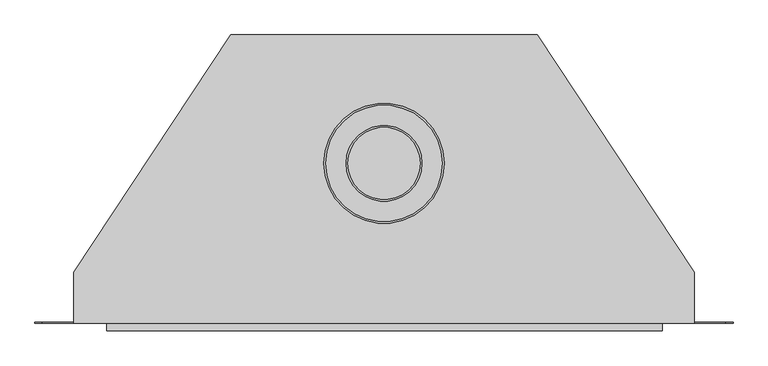
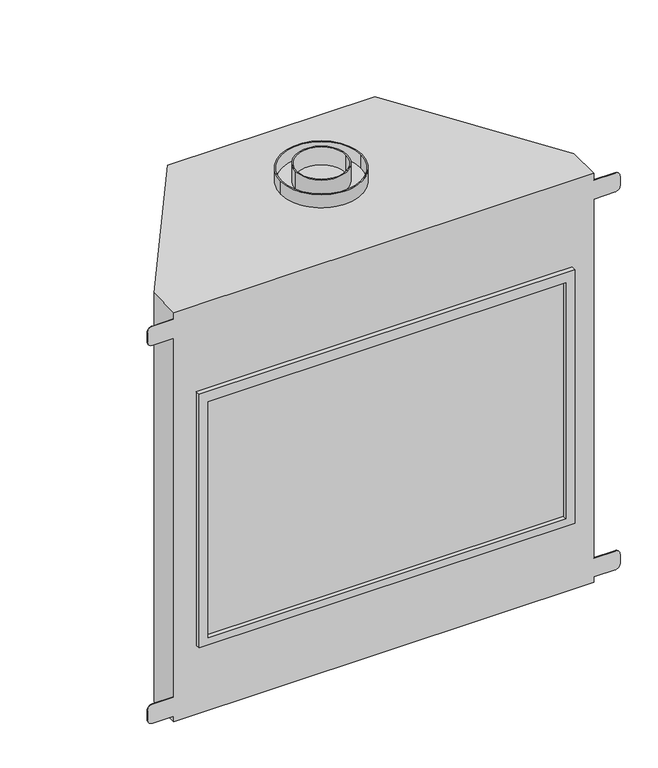
"""IFC4 building model written with IfcOpenShell, lengths in millimetres: proxy geometry."""

from ifc_helpers import new_model, si_unit, point, frame, frame_2d, origin, place, context, project, spatial, polyline, circle_curve, trimmed, segment, composite_curve, outline, extrude, source, transform, mapped, element, save
from ifc_brep_helpers import plane_surface, cylinder_surface, advanced_brep


def generic_models_59107ee0(model_context):
    return source(origin(), model_context, "Body", "SolidModel", [
        extrude(outline(composite_curve([segment(trimmed(circle_curve(frame_2d((0.0, 274.5894929)), 103.1875), [point((-103.1875, 274.5894929))], [point((103.1875, 274.5894929))], False, "CARTESIAN"), True, "CONTINUOUS"), segment(trimmed(circle_curve(frame_2d((0.0, 274.5894929)), 103.1875), [point((103.1875, 274.5894929))], [point((-103.1875, 274.5894929))], False, "CARTESIAN"), True, "CONTINUOUS")], self_intersect=False), holes=[composite_curve([segment(trimmed(circle_curve(frame_2d((0.0, 274.5894929)), 100.0125), [point((-100.0125, 274.5894929))], [point((100.0125, 274.5894929))], True, "CARTESIAN"), True, "CONTINUOUS"), segment(trimmed(circle_curve(frame_2d((0.0, 274.5894929)), 100.0125), [point((100.0125, 274.5894929))], [point((-100.0125, 274.5894929))], True, "CARTESIAN"), True, "CONTINUOUS")], self_intersect=False)]), frame((0.0, 0.0, 1096.9625), z_axis=(0.0, 0.0, 1.0), x_axis=(1.0, 0.0, 0.0)), (0.0, 0.0, 1.0), 34.925),
        extrude(outline(composite_curve([segment(trimmed(circle_curve(frame_2d((0.0, 274.5894929)), 65.151), [point((-65.151, 274.5894929))], [point((65.151, 274.5894929))], False, "CARTESIAN"), True, "CONTINUOUS"), segment(trimmed(circle_curve(frame_2d((0.0, 274.5894929)), 65.151), [point((65.151, 274.5894929))], [point((-65.151, 274.5894929))], False, "CARTESIAN"), True, "CONTINUOUS")], self_intersect=False), holes=[composite_curve([segment(trimmed(circle_curve(frame_2d((0.0, 274.5894929)), 61.976), [point((-61.976, 274.5894929))], [point((61.976, 274.5894929))], True, "CARTESIAN"), True, "CONTINUOUS"), segment(trimmed(circle_curve(frame_2d((0.0, 274.5894929)), 61.976), [point((61.976, 274.5894929))], [point((-61.976, 274.5894929))], True, "CARTESIAN"), True, "CONTINUOUS")], self_intersect=False)]), frame((0.0, 0.0, 1096.9625), z_axis=(0.0, 0.0, 1.0), x_axis=(1.0, 0.0, 0.0)), (0.0, 0.0, 1.0), 47.625),
        extrude(outline(polyline([(455.5201593, -1.5875), (-453.6991287, -1.5875), (-453.6991287, 0.0), (455.5201593, 0.0), (455.5201593, -1.5875)])), frame((0.0, 0.0, 204.8402062), z_axis=(0.0, 0.0, 1.0), x_axis=(1.0, 0.0, 0.0)), (0.0, 0.0, 1.0), 632.9847371),
        extrude(outline(polyline([(184.9391391, 477.8771951), (865.1571938, 477.8771951), (865.1571938, -476.0561533), (184.9391391, -476.0561533), (184.9391391, 477.8771951)]), holes=[polyline([(837.8249432, -453.6991287), (837.8249432, 455.5201593), (204.8402062, 455.5201593), (204.8402062, -453.6991287), (837.8249432, -453.6991287)])]), frame((0.0, -12.7, 0.0), z_axis=(0.0, 1.0, 0.0), x_axis=(0.0, 0.0, 1.0)), (0.0, 0.0, 1.0), 12.7),
        advanced_brep(
        [(533.2720328, 1.5875, 1078.7325601), (587.1944881, 1.5875, 1078.7325601), (599.8873356, 1.5875, 1066.0729086), (599.8873356, 1.5875, 1040.7535187), (587.2276428, 1.5875, 1028.0938238), (533.2720328, 1.5875, 1028.0938144), (533.2720328, 1.5875, 64.9948778), (587.2276419, 1.5875, 64.9948722), (599.8873356, 1.5875, 52.3351773), (599.8873356, 1.5875, 27.0157899), (587.2276406, 1.5875, 14.356095), (533.2720328, 1.5875, 14.356095), (-533.1996021, 1.5875, 14.356095), (-587.1472722, 1.5875, 14.356095), (-599.8149183, 1.5875, 27.0270914), (-599.8149183, 1.5875, 52.3238732), (-587.1552297, 1.5875, 64.9948722), (-533.1996021, 1.5875, 64.9948778), (-533.1996021, 1.5875, 1028.0938144), (-587.1552306, 1.5875, 1028.0938238), (-599.8149183, 1.5875, 1040.7422147), (-599.8149183, 1.5875, 1066.0616046), (-587.1220758, 1.5875, 1078.7325601), (-533.1996021, 1.5875, 1078.7325601), (533.2720328, 0.0, 1078.7325601), (533.2720328, 0.0, 1096.9625), (-533.1996021, 0.0, 1096.9625), (-533.1996021, 0.0, 1078.7325601), (-587.1220758, 0.0, 1078.7325601), (-599.8149183, 0.0, 1066.0616046), (-599.8149183, 0.0, 1040.7422147), (-587.1552306, 0.0, 1028.0938238), (-533.1996021, 0.0, 1028.0938144), (-533.1996021, 0.0, 64.9948778), (-587.1552297, 0.0, 64.9948722), (-599.8149183, 0.0, 52.3238732), (-599.8149183, 0.0, 27.0270914), (-587.1472722, 0.0, 14.356095), (-533.1996021, 0.0, 14.356095), (-533.1996021, 0.0, 0.0), (533.2720328, 0.0, 0.0), (533.2720328, 0.0, 14.356095), (587.2276406, 0.0, 14.356095), (599.8873356, 0.0, 27.0157899), (599.8873356, 0.0, 52.3351773), (587.2276419, 0.0, 64.9948722), (533.2720328, 0.0, 64.9948778), (533.2720328, 0.0, 1028.0938144), (587.2276428, 0.0, 1028.0938238), (599.8873356, 0.0, 1040.7535187), (599.8873356, 0.0, 1066.0729086), (587.1944881, 0.0, 1078.7325601), (-263.059231, 495.3000027, 1096.9625), (263.1316415, 495.3000027, 1096.9625), (263.1316415, 495.3000027, 0.0), (-263.059231, 495.3000027, 0.0), (-533.1996021, 87.1624229, 1096.9625), (-533.1996021, 87.1624229, 0.0), (533.2720328, 87.1623923, 1096.9625), (533.2720328, 87.1623923, 0.0)],
        [
            (0, 1),
            (1, 2, circle_curve(frame((587.2276406, 1.5875, 1066.0729086), z_axis=(0.0, 1.0, 0.0), x_axis=(1.0, 0.0, 0.0)), 12.6596949)),
            (2, 3),
            (3, 4, circle_curve(frame((587.2276406, 1.5875, 1040.7535187), z_axis=(0.0, 1.0, 0.0), x_axis=(1.0, 0.0, 0.0)), 12.6596949)),
            (4, 5),
            (5, 0),
            (6, 7),
            (7, 8, circle_curve(frame((587.2276406, 1.5875, 52.3351773), z_axis=(0.0, 1.0, 0.0), x_axis=(1.0, 0.0, 0.0)), 12.6596949)),
            (8, 9),
            (9, 10, circle_curve(frame((587.2276406, 1.5875, 27.0157899), z_axis=(0.0, 1.0, 0.0), x_axis=(1.0, 0.0, 0.0)), 12.6596949)),
            (10, 11),
            (11, 6),
            (12, 13),
            (13, 14, circle_curve(frame((-587.1552284, 1.5875, 27.0157874), z_axis=(0.0, 1.0, 0.0), x_axis=(1.0, 0.0, 0.0)), 12.6596949)),
            (14, 15),
            (15, 16, circle_curve(frame((-587.1552284, 1.5875, 52.3351773), z_axis=(0.0, 1.0, 0.0), x_axis=(1.0, 0.0, 0.0)), 12.6596949)),
            (16, 17),
            (17, 12),
            (18, 19),
            (19, 20, circle_curve(frame((-587.1552284, 1.5875, 1040.7535187), z_axis=(0.0, 1.0, 0.0), x_axis=(1.0, 0.0, 0.0)), 12.6596949)),
            (20, 21),
            (21, 22, circle_curve(frame((-587.1552284, 1.5875, 1066.0729086), z_axis=(0.0, 1.0, 0.0), x_axis=(1.0, 0.0, 0.0)), 12.6596949)),
            (22, 23),
            (23, 18),
            (24, 25),
            (25, 26),
            (26, 27),
            (27, 28),
            (28, 29, circle_curve(frame((-587.1552284, 0.0, 1066.0729086), z_axis=(0.0, -1.0, 0.0), x_axis=(1.0, 0.0, 0.0)), 12.6596949)),
            (29, 30),
            (30, 31, circle_curve(frame((-587.1552284, 0.0, 1040.7535187), z_axis=(0.0, -1.0, 0.0), x_axis=(1.0, 0.0, 0.0)), 12.6596949)),
            (31, 32),
            (32, 33),
            (33, 34),
            (34, 35, circle_curve(frame((-587.1552284, 0.0, 52.3351773), z_axis=(0.0, -1.0, 0.0), x_axis=(1.0, 0.0, 0.0)), 12.6596949)),
            (35, 36),
            (36, 37, circle_curve(frame((-587.1552284, 0.0, 27.0157874), z_axis=(0.0, -1.0, 0.0), x_axis=(1.0, 0.0, 0.0)), 12.6596949)),
            (37, 38),
            (38, 39),
            (39, 40),
            (40, 41),
            (41, 42),
            (42, 43, circle_curve(frame((587.2276406, 0.0, 27.0157899), z_axis=(0.0, -1.0, 0.0), x_axis=(1.0, 0.0, 0.0)), 12.6596949)),
            (43, 44),
            (44, 45, circle_curve(frame((587.2276406, 0.0, 52.3351773), z_axis=(0.0, -1.0, 0.0), x_axis=(1.0, 0.0, 0.0)), 12.6596949)),
            (45, 46),
            (46, 47),
            (47, 48),
            (48, 49, circle_curve(frame((587.2276406, 0.0, 1040.7535187), z_axis=(0.0, -1.0, 0.0), x_axis=(1.0, 0.0, 0.0)), 12.6596949)),
            (49, 50),
            (50, 51, circle_curve(frame((587.2276406, 0.0, 1066.0729086), z_axis=(0.0, -1.0, 0.0), x_axis=(1.0, 0.0, 0.0)), 12.6596949)),
            (51, 24),
            (52, 53),
            (53, 54),
            (54, 55),
            (55, 52),
            (56, 52),
            (55, 57),
            (57, 56),
            (53, 58),
            (58, 59),
            (59, 54),
            (24, 0),
            (5, 47),
            (46, 6),
            (11, 41),
            (40, 59),
            (58, 25),
            (56, 26),
            (57, 39),
            (38, 12),
            (17, 33),
            (32, 18),
            (23, 27),
            (22, 28),
            (21, 29),
            (20, 30),
            (19, 31),
            (16, 34),
            (15, 35),
            (14, 36),
            (13, 37),
            (10, 42),
            (9, 43),
            (8, 44),
            (7, 45),
            (4, 48),
            (3, 49),
            (2, 50),
            (1, 51),
        ],
        [
            plane_surface(frame((533.2720328, 1.5875, 1078.7325601), z_axis=(0.0, 1.0, 0.0), x_axis=(0.0, 0.0, -1.0))),
            plane_surface(frame((533.2720328, 0.0, 1078.7325601), z_axis=(0.0, -1.0, 0.0), x_axis=(0.0, 0.0, 1.0))),
            plane_surface(frame((263.1316415, 495.3000027, 1096.9625), z_axis=(0.0, 1.0, 0.0), x_axis=(0.0, 0.0, -1.0))),
            plane_surface(frame((-263.059231, 495.3000027, 1096.9625), z_axis=(-0.8338858220671689, 0.5519369853120573, 0.0), x_axis=(0.0, 0.0, -1.0))),
            plane_surface(frame((533.2720328, 87.1623923, 1096.9625), z_axis=(0.8338858220671689, 0.5519369853120571, 0.0), x_axis=(0.0, 0.0, -1.0))),
            plane_surface(frame((533.2720328, 0.0, 1078.7325601), z_axis=(1.0, 0.0, 0.0), x_axis=(0.0, 1.0, 0.0))),
            plane_surface(frame((533.2720328, 0.0, 1096.9625), z_axis=(0.0, 0.0, 1.0), x_axis=(0.0, 1.0, 0.0))),
            plane_surface(frame((-533.1996021, 0.0, 1096.9625), z_axis=(-1.0, 0.0, 0.0), x_axis=(0.0, 1.0, 0.0))),
            plane_surface(frame((-533.1996021, 0.0, 1078.7325601), z_axis=(0.0, 0.0, 1.0), x_axis=(0.0, 1.0, 0.0))),
            cylinder_surface(frame((-587.1552284, 1.5875, 1066.0729086), z_axis=(0.0, -1.0, 0.0), x_axis=(1.0, 0.0, 0.0)), 12.6596949),
            plane_surface(frame((-599.8149183, 0.0, 1066.0616046), z_axis=(-1.0, 0.0, 0.0), x_axis=(0.0, 1.0, 0.0))),
            cylinder_surface(frame((-587.1552284, 1.5875, 1040.7535187), z_axis=(0.0, -1.0, 0.0), x_axis=(1.0, 0.0, 0.0)), 12.6596949),
            plane_surface(frame((-587.1552306, 0.0, 1028.0938238), z_axis=(-1.737727841124774e-07, 0.0, -0.9999999999999849), x_axis=(0.0, 1.0, 0.0))),
            plane_surface(frame((-533.1996021, 0.0, 64.9948778), z_axis=(-1.03819102712102e-07, 0.0, 0.9999999999999947), x_axis=(0.0, 1.0, 0.0))),
            cylinder_surface(frame((-587.1552284, 1.5875, 52.3351773), z_axis=(0.0, -1.0, 0.0), x_axis=(1.0, 0.0, 0.0)), 12.6596949),
            plane_surface(frame((-599.8149183, 0.0, 52.3238732), z_axis=(-1.0, 0.0, 0.0), x_axis=(0.0, 1.0, 0.0))),
            cylinder_surface(frame((-587.1552284, 1.5875, 27.0157874), z_axis=(0.0, -1.0, 0.0), x_axis=(1.0, 0.0, 0.0)), 12.6596949),
            plane_surface(frame((-587.1472722, 0.0, 14.356095), z_axis=(0.0, 0.0, -1.0), x_axis=(0.0, 1.0, 0.0))),
            plane_surface(frame((-533.1996021, 0.0, 0.0), z_axis=(0.0, 0.0, -1.0), x_axis=(0.0, 1.0, 0.0))),
            plane_surface(frame((533.2720328, 0.0, 14.356095), z_axis=(0.0, 0.0, -1.0), x_axis=(0.0, 1.0, 0.0))),
            cylinder_surface(frame((587.2276406, 1.5875, 27.0157899), z_axis=(0.0, -1.0, 0.0), x_axis=(1.0, 0.0, 0.0)), 12.6596949),
            plane_surface(frame((599.8873356, 0.0, 27.0157899), z_axis=(1.0, 0.0, 0.0), x_axis=(0.0, 1.0, 0.0))),
            cylinder_surface(frame((587.2276406, 1.5875, 52.3351773), z_axis=(0.0, -1.0, 0.0), x_axis=(1.0, 0.0, 0.0)), 12.6596949),
            plane_surface(frame((587.2276419, 0.0, 64.9948722), z_axis=(1.038191374123699e-07, 0.0, 0.9999999999999947), x_axis=(0.0, 1.0, 0.0))),
            plane_surface(frame((533.2720328, 0.0, 1028.0938144), z_axis=(1.737728437685587e-07, 0.0, -0.9999999999999849), x_axis=(0.0, 1.0, 0.0))),
            cylinder_surface(frame((587.2276406, 1.5875, 1040.7535187), z_axis=(0.0, -1.0, 0.0), x_axis=(1.0, 0.0, 0.0)), 12.6596949),
            plane_surface(frame((599.8873356, 0.0, 1040.7535187), z_axis=(1.0, 0.0, 0.0), x_axis=(0.0, 1.0, 0.0))),
            cylinder_surface(frame((587.2276406, 1.5875, 1066.0729086), z_axis=(0.0, -1.0, 0.0), x_axis=(1.0, 0.0, 0.0)), 12.6596949),
            plane_surface(frame((587.1944881, 0.0, 1078.7325601), z_axis=(0.0, 0.0, 1.0), x_axis=(0.0, 1.0, 0.0))),
        ],
        [
            (0, [[1, 2, 3, 4, 5, 6]]),
            (0, [[7, 8, 9, 10, 11, 12]]),
            (0, [[13, 14, 15, 16, 17, 18]]),
            (0, [[19, 20, 21, 22, 23, 24]]),
            (1, [[25, 26, 27, 28, 29, 30, 31, 32, 33, 34, 35, 36, 37, 38, 39, 40, 41, 42, 43, 44, 45, 46, 47, 48, 49, 50, 51, 52]]),
            (2, [[53, 54, 55, 56]]),
            (3, [[57, -56, 58, 59]]),
            (4, [[60, 61, 62, -54]]),
            (5, [[-25, 63, -6, 64, -47, 65, -12, 66, -41, 67, -61, 68]]),
            (6, [[-26, -68, -60, -53, -57, 69]]),
            (7, [[-27, -69, -59, 70, -39, 71, -18, 72, -33, 73, -24, 74]]),
            (8, [[-23, 75, -28, -74]]),
            (9, [[-22, 76, -29, -75]]),
            (10, [[-21, 77, -30, -76]]),
            (11, [[-20, 78, -31, -77]]),
            (12, [[-19, -73, -32, -78]]),
            (13, [[-17, 79, -34, -72]]),
            (14, [[-16, 80, -35, -79]]),
            (15, [[-15, 81, -36, -80]]),
            (16, [[-14, 82, -37, -81]]),
            (17, [[-13, -71, -38, -82]]),
            (18, [[-67, -40, -70, -58, -55, -62]]),
            (19, [[-11, 83, -42, -66]]),
            (20, [[-10, 84, -43, -83]]),
            (21, [[-9, 85, -44, -84]]),
            (22, [[-8, 86, -45, -85]]),
            (23, [[-7, -65, -46, -86]]),
            (24, [[-5, 87, -48, -64]]),
            (25, [[-4, 88, -49, -87]]),
            (26, [[-3, 89, -50, -88]]),
            (27, [[-2, 90, -51, -89]]),
            (28, [[-1, -63, -52, -90]]),
        ],
    ),
    ])


if __name__ == "__main__":
    model = new_model("IFC4")
    model_context = context("Model", 3, world=origin())
    ifc_project = project(units=[si_unit("LENGTHUNIT", "METRE", prefix="MILLI")], contexts=[model_context])
    site = spatial("IfcSite", under=ifc_project)
    building = spatial("IfcBuilding", under=site)
    placement = place(None, origin())
    generic_models_shape = generic_models_59107ee0(model_context)
    element("IfcBuildingElementProxy", 1, Name="Generic Models", at=placement, inside=building, context=model_context, shape_type="MappedRepresentation", body=[
        mapped(generic_models_shape, transform((0.0, 0.0, 0.0), x_axis=(1.0, 0.0, 0.0), y_axis=(0.0, 1.0, 0.0), z_axis=(0.0, 0.0, 1.0))),
    ])
    save(model, "model.ifc")
